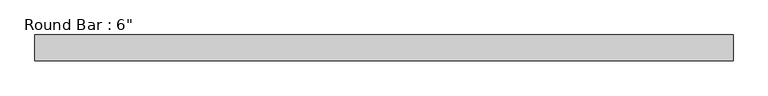
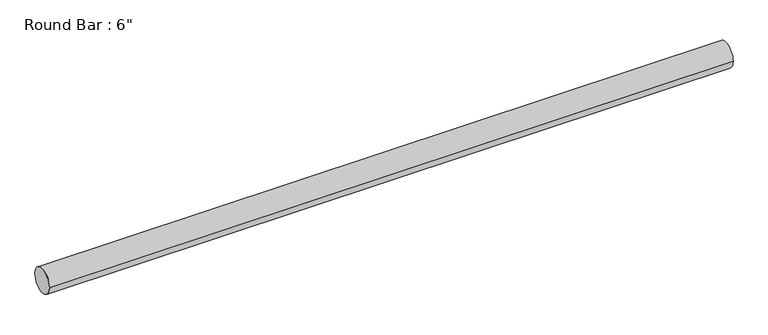
"""IFC4 building model written with IfcOpenShell, lengths in millimetres: beam geometry."""

from ifc_helpers import new_model, si_unit, point, frame, origin, origin_2d, place, context, project, spatial, circle_curve, trimmed, segment, composite_curve, outline, extrude, source, transform, mapped, element, save


def beam_3369bc2d(model_context):
    return source(origin(), model_context, "Body", "SweptSolid", [
        extrude(outline(composite_curve([segment(trimmed(circle_curve(origin_2d(), 76.2), [point((76.2, 0.0))], [point((-76.2, 0.0))], False, "CARTESIAN"), True, "CONTINUOUS"), segment(trimmed(circle_curve(origin_2d(), 76.2), [point((-76.2, 0.0))], [point((76.2, 0.0))], False, "CARTESIAN"), True, "CONTINUOUS")], self_intersect=False)), frame((-2074.3723442, 0.0, 0.0), z_axis=(1.0, 0.0, 0.0), x_axis=(0.0, 1.0, 0.0)), (0.0, 0.0, 1.0), 4122.0265051),
    ])


if __name__ == "__main__":
    model = new_model("IFC4")
    model_context = context("Model", 3, world=origin())
    ifc_project = project(units=[si_unit("LENGTHUNIT", "METRE", prefix="MILLI")], contexts=[model_context])
    site = spatial("IfcSite", under=ifc_project)
    building = spatial("IfcBuilding", under=site)
    placement = place(None, origin())
    beam_shape = beam_3369bc2d(model_context)
    element("IfcBeam", 1, ObjectType="Round Bar : 6\"", at=placement, inside=building, context=model_context, shape_type="MappedRepresentation", body=[
        mapped(beam_shape, transform((0.0, 0.0, 0.0), x_axis=(1.0, 0.0, 0.0), y_axis=(0.0, 1.0, 0.0), z_axis=(0.0, 0.0, 1.0))),
    ])
    save(model, "model.ifc")
